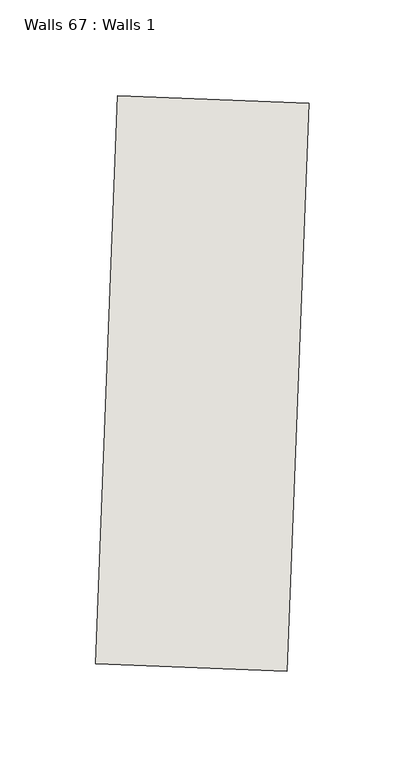
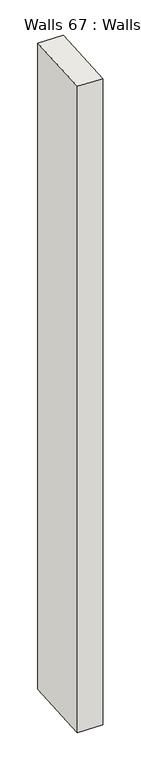
"""IFC4 building model written with IfcOpenShell, lengths in millimetres: wall geometry, Walls 67 : Walls 1."""

from ifc_helpers import new_model, si_unit, origin, origin_with_axes, place, context, project, spatial, polyline, outline, extrude, source, transform, mapped, element, save


def walls_67_walls_1_02c4ac36(model_context):
    return source(origin(), model_context, "Body", "SweptSolid", [
        extrude(outline(polyline([(5057.4930015, 1512.9767518), (5069.0678518, 1809.4796407), (5168.9917409, 1805.5788218), (5157.4168906, 1509.075933), (5057.4930015, 1512.9767518)])), origin_with_axes(), (0.0, 0.0, 1.0), 2751.967849),
    ])


if __name__ == "__main__":
    model = new_model("IFC4")
    model_context = context("Model", 3, world=origin())
    ifc_project = project(units=[si_unit("LENGTHUNIT", "METRE", prefix="MILLI")], contexts=[model_context])
    site = spatial("IfcSite", under=ifc_project)
    building = spatial("IfcBuilding", under=site)
    placement = place(None, origin())
    walls_67_walls_1_shape = walls_67_walls_1_02c4ac36(model_context)
    element("IfcWall", 1, ObjectType="Walls 67 : Walls 1", at=placement, inside=building, context=model_context, shape_type="MappedRepresentation", body=[
        mapped(walls_67_walls_1_shape, transform((0.0, 0.0, 0.0), x_axis=(1.0, 0.0, 0.0), y_axis=(0.0, 1.0, 0.0), z_axis=(0.0, 0.0, 1.0))),
    ])
    save(model, "model.ifc")
